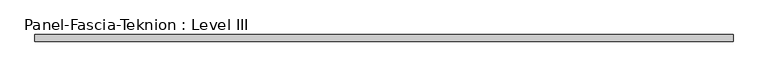
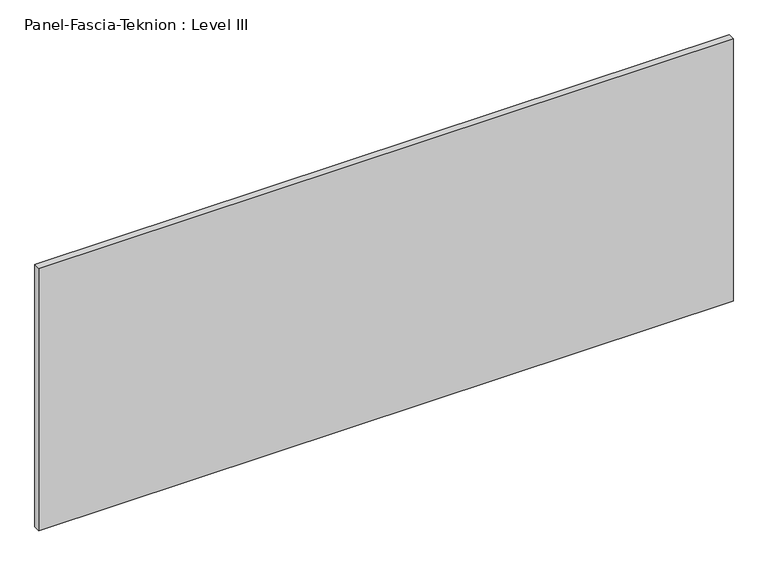
"""IFC4 building model written with IfcOpenShell, lengths in millimetres: proxy geometry, Panel-Fascia-Teknion : Level III."""

from ifc_helpers import new_model, si_unit, frame, origin, place, context, project, spatial, polyline, outline, extrude, source, transform, mapped, element, save


def panel_fascia_teknion_level_iii_4fd3d2fe(model_context):
    return source(origin(), model_context, "Body", "SweptSolid", [
        extrude(outline(polyline([(1005.8356344, 9.525), (1005.8356344, -9.525), (-1005.8356344, -9.525), (-1005.8356344, 9.525), (1005.8356344, 9.525)])), frame((0.0, 0.0, 3.175), z_axis=(0.0, 0.0, 1.0), x_axis=(1.0, 0.0, 0.0)), (0.0, 0.0, 1.0), 804.418),
    ])


if __name__ == "__main__":
    model = new_model("IFC4")
    model_context = context("Model", 3, world=origin())
    ifc_project = project(units=[si_unit("LENGTHUNIT", "METRE", prefix="MILLI")], contexts=[model_context])
    site = spatial("IfcSite", under=ifc_project)
    building = spatial("IfcBuilding", under=site)
    placement = place(None, origin())
    panel_fascia_teknion_level_iii_shape = panel_fascia_teknion_level_iii_4fd3d2fe(model_context)
    element("IfcBuildingElementProxy", 1, Name="Panel-Fascia-Teknion : Level III", ObjectType="Panel-Fascia-Teknion : Level III", at=placement, inside=building, context=model_context, shape_type="MappedRepresentation", body=[
        mapped(panel_fascia_teknion_level_iii_shape, transform((0.0, 0.0, 0.0), x_axis=(1.0, 0.0, 0.0), y_axis=(0.0, 1.0, 0.0), z_axis=(0.0, 0.0, 1.0))),
    ])
    save(model, "model.ifc")
